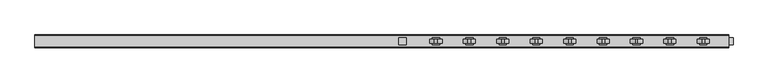
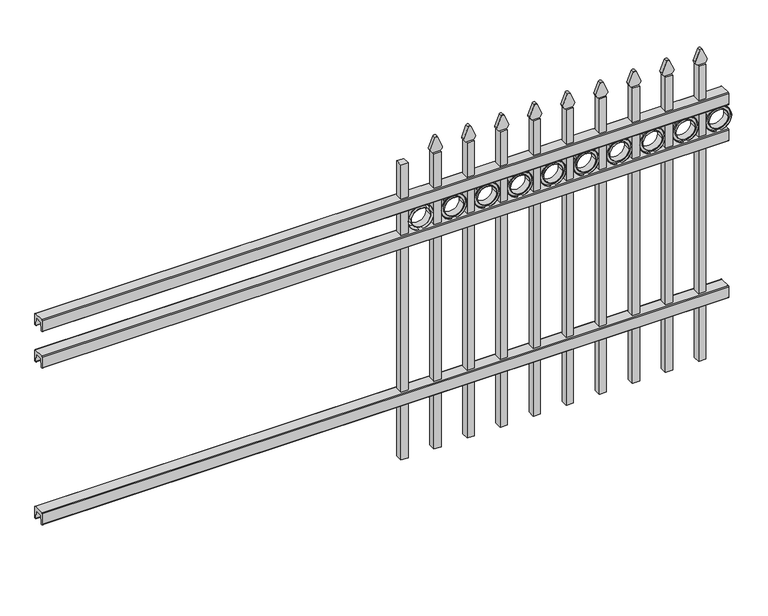
"""IFC4 building model written with IfcOpenShell, lengths in millimetres: railing geometry."""

from ifc_helpers import new_model, si_unit, point, frame, frame_2d, origin, place, context, project, spatial, polyline, circle_curve, trimmed, segment, composite_curve, outline, extrude, source, transform, mapped, element, save


def railing_ac966403(model_context):
    return source(origin(), model_context, "Body", "SweptSolid", [
        extrude(outline(composite_curve([segment(polyline([(13397.9139761, 304.8), (13435.969541, 304.8)]), True, "CONTINUOUS"), segment(trimmed(circle_curve(frame_2d((13435.969541, 301.625)), 3.175), [point((13435.969541, 304.8))], [point((13439.144541, 301.625))], False, "CARTESIAN"), True, "CONTINUOUS"), segment(polyline([(13439.144541, 301.625), (13439.144541, 262.1439893)]), True, "CONTINUOUS"), segment(trimmed(circle_curve(frame_2d((13437.3505518, 262.1439893)), 1.7939893), [point((13439.144541, 262.1439893))], [point((13437.3505518, 260.35))], False, "CARTESIAN"), True, "CONTINUOUS"), segment(polyline([(13437.3505518, 260.35), (13434.7590713, 260.35)]), True, "CONTINUOUS"), segment(trimmed(circle_curve(frame_2d((13434.7590713, 262.1359375)), 1.7859375), [point((13434.7590713, 260.35))], [point((13432.9755813, 262.0424688))], False, "CARTESIAN"), True, "CONTINUOUS"), segment(polyline([(13432.9755813, 262.0424688), (13431.4025867, 292.0569942), (13402.4364954, 292.0569942), (13400.8635007, 262.0424688)]), True, "CONTINUOUS"), segment(trimmed(circle_curve(frame_2d((13399.0800108, 262.1359375)), 1.7859375), [point((13400.8635007, 262.0424688))], [point((13399.0800108, 260.35))], False, "CARTESIAN"), True, "CONTINUOUS"), segment(polyline([(13399.0800108, 260.35), (13396.4804785, 260.35)]), True, "CONTINUOUS"), segment(trimmed(circle_curve(frame_2d((13396.4804785, 262.1359375)), 1.7859375), [point((13396.4804785, 260.35))], [point((13394.694541, 262.1359375))], False, "CARTESIAN"), True, "CONTINUOUS"), segment(polyline([(13394.694541, 262.1359375), (13394.694541, 301.5805649)]), True, "CONTINUOUS"), segment(trimmed(circle_curve(frame_2d((13397.9139761, 301.5805649)), 3.2194351), [point((13394.694541, 301.5805649))], [point((13397.9139761, 304.8))], False, "CARTESIAN"), True, "CONTINUOUS")], self_intersect=False)), frame((-23871.4649936, 0.0, 0.0), z_axis=(1.0, 0.0, 0.0), x_axis=(0.0, 1.0, 0.0)), (0.0, 0.0, 1.0), 2438.4),
        extrude(outline(composite_curve([segment(polyline([(13397.9139761, 893.7625), (13435.969541, 893.7625)]), True, "CONTINUOUS"), segment(trimmed(circle_curve(frame_2d((13435.969541, 890.5875)), 3.175), [point((13435.969541, 893.7625))], [point((13439.144541, 890.5875))], False, "CARTESIAN"), True, "CONTINUOUS"), segment(polyline([(13439.144541, 890.5875), (13439.144541, 851.1064893)]), True, "CONTINUOUS"), segment(trimmed(circle_curve(frame_2d((13437.3505518, 851.1064893)), 1.7939893), [point((13439.144541, 851.1064893))], [point((13437.3505518, 849.3125))], False, "CARTESIAN"), True, "CONTINUOUS"), segment(polyline([(13437.3505518, 849.3125), (13434.7590713, 849.3125)]), True, "CONTINUOUS"), segment(trimmed(circle_curve(frame_2d((13434.7590713, 851.0984375)), 1.7859375), [point((13434.7590713, 849.3125))], [point((13432.9755813, 851.0049688))], False, "CARTESIAN"), True, "CONTINUOUS"), segment(polyline([(13432.9755813, 851.0049688), (13431.4025867, 881.0194942), (13402.4364954, 881.0194942), (13400.8635007, 851.0049688)]), True, "CONTINUOUS"), segment(trimmed(circle_curve(frame_2d((13399.0800108, 851.0984375)), 1.7859375), [point((13400.8635007, 851.0049688))], [point((13399.0800108, 849.3125))], False, "CARTESIAN"), True, "CONTINUOUS"), segment(polyline([(13399.0800108, 849.3125), (13396.4804785, 849.3125)]), True, "CONTINUOUS"), segment(trimmed(circle_curve(frame_2d((13396.4804785, 851.0984375)), 1.7859375), [point((13396.4804785, 849.3125))], [point((13394.694541, 851.0984375))], False, "CARTESIAN"), True, "CONTINUOUS"), segment(polyline([(13394.694541, 851.0984375), (13394.694541, 890.5430649)]), True, "CONTINUOUS"), segment(trimmed(circle_curve(frame_2d((13397.9139761, 890.5430649)), 3.2194351), [point((13394.694541, 890.5430649))], [point((13397.9139761, 893.7625))], False, "CARTESIAN"), True, "CONTINUOUS")], self_intersect=False)), frame((-23871.4649936, 0.0, 0.0), z_axis=(1.0, 0.0, 0.0), x_axis=(0.0, 1.0, 0.0)), (0.0, 0.0, 1.0), 2438.4),
        extrude(outline(composite_curve([segment(polyline([(13397.9139761, 1030.2875), (13435.969541, 1030.2875)]), True, "CONTINUOUS"), segment(trimmed(circle_curve(frame_2d((13435.969541, 1027.1125)), 3.175), [point((13435.969541, 1030.2875))], [point((13439.144541, 1027.1125))], False, "CARTESIAN"), True, "CONTINUOUS"), segment(polyline([(13439.144541, 1027.1125), (13439.144541, 987.6314893)]), True, "CONTINUOUS"), segment(trimmed(circle_curve(frame_2d((13437.3505518, 987.6314893)), 1.7939893), [point((13439.144541, 987.6314893))], [point((13437.3505518, 985.8375))], False, "CARTESIAN"), True, "CONTINUOUS"), segment(polyline([(13437.3505518, 985.8375), (13434.7590713, 985.8375)]), True, "CONTINUOUS"), segment(trimmed(circle_curve(frame_2d((13434.7590713, 987.6234375)), 1.7859375), [point((13434.7590713, 985.8375))], [point((13432.9755813, 987.5299688))], False, "CARTESIAN"), True, "CONTINUOUS"), segment(polyline([(13432.9755813, 987.5299688), (13431.4025867, 1017.5444942), (13402.4364954, 1017.5444942), (13400.8635007, 987.5299688)]), True, "CONTINUOUS"), segment(trimmed(circle_curve(frame_2d((13399.0800108, 987.6234375)), 1.7859375), [point((13400.8635007, 987.5299688))], [point((13399.0800108, 985.8375))], False, "CARTESIAN"), True, "CONTINUOUS"), segment(polyline([(13399.0800108, 985.8375), (13396.4804785, 985.8375)]), True, "CONTINUOUS"), segment(trimmed(circle_curve(frame_2d((13396.4804785, 987.6234375)), 1.7859375), [point((13396.4804785, 985.8375))], [point((13394.694541, 987.6234375))], False, "CARTESIAN"), True, "CONTINUOUS"), segment(polyline([(13394.694541, 987.6234375), (13394.694541, 1027.0680649)]), True, "CONTINUOUS"), segment(trimmed(circle_curve(frame_2d((13397.9139761, 1027.0680649)), 3.2194351), [point((13394.694541, 1027.0680649))], [point((13397.9139761, 1030.2875))], False, "CARTESIAN"), True, "CONTINUOUS")], self_intersect=False)), frame((-23871.4649936, 0.0, 0.0), z_axis=(1.0, 0.0, 0.0), x_axis=(0.0, 1.0, 0.0)), (0.0, 0.0, 1.0), 2438.4),
        extrude(outline(polyline([(-21534.6649936, 13429.619541), (-21509.2649936, 13429.619541), (-21509.2649936, 13404.219541), (-21534.6649936, 13404.219541), (-21534.6649936, 13429.619541)])), frame((0.0, 0.0, 50.8), z_axis=(0.0, 0.0, 1.0), x_axis=(1.0, 0.0, 0.0)), (0.0, 0.0, 1.0), 1108.8579232),
        extrude(outline(composite_curve([segment(trimmed(circle_curve(frame_2d((937.3853669, -21463.1692595)), 45.6988591), [point((937.3853669, -21417.4704004))], [point((937.3853669, -21508.8681186))], False, "CARTESIAN"), True, "CONTINUOUS"), segment(trimmed(circle_curve(frame_2d((937.3853669, -21463.1692595)), 45.6988591), [point((937.3853669, -21508.8681186))], [point((937.3853669, -21417.4704004))], False, "CARTESIAN"), True, "CONTINUOUS")], self_intersect=False), holes=[composite_curve([segment(trimmed(circle_curve(frame_2d((937.3853669, -21463.1692595)), 44.101539), [point((937.3853669, -21419.0677205))], [point((937.3853669, -21507.2707985))], True, "CARTESIAN"), True, "CONTINUOUS"), segment(trimmed(circle_curve(frame_2d((937.3853669, -21463.1692595)), 44.101539), [point((937.3853669, -21507.2707985))], [point((937.3853669, -21419.0677205))], True, "CARTESIAN"), True, "CONTINUOUS")], self_intersect=False)]), frame((0.0, 13404.219541, 0.0), z_axis=(0.0, 1.0, 0.0), x_axis=(0.0, 0.0, 1.0)), (0.0, 0.0, 1.0), 25.4),
        extrude(outline(composite_curve([segment(trimmed(circle_curve(frame_2d((937.3853669, -21463.1692595)), 34.6370762), [point((937.3853669, -21428.5321833))], [point((937.3853669, -21497.8063357))], False, "CARTESIAN"), True, "CONTINUOUS"), segment(trimmed(circle_curve(frame_2d((937.3853669, -21463.1692595)), 34.6370762), [point((937.3853669, -21497.8063357))], [point((937.3853669, -21428.5321833))], False, "CARTESIAN"), True, "CONTINUOUS")], self_intersect=False), holes=[composite_curve([segment(trimmed(circle_curve(frame_2d((937.3853669, -21463.1692595)), 33.0443887), [point((937.3853669, -21430.1248708))], [point((937.3853669, -21496.2136482))], True, "CARTESIAN"), True, "CONTINUOUS"), segment(trimmed(circle_curve(frame_2d((937.3853669, -21463.1692595)), 33.0443887), [point((937.3853669, -21496.2136482))], [point((937.3853669, -21430.1248708))], True, "CARTESIAN"), True, "CONTINUOUS")], self_intersect=False)]), frame((0.0, 13404.219541, 0.0), z_axis=(0.0, 1.0, 0.0), x_axis=(0.0, 0.0, 1.0)), (0.0, 0.0, 1.0), 25.4),
        extrude(outline(composite_curve([segment(polyline([(1159.8798417, -21534.6649936), (1159.8798417, -21508.9743116)]), True, "CONTINUOUS"), segment(trimmed(circle_curve(frame_2d((1178.1299402, -21523.1372336)), 23.1009622), [point((1159.8798417, -21508.9743116))], [point((1172.6676176, -21500.6913545))], False, "CARTESIAN"), True, "CONTINUOUS"), segment(polyline([(1172.6676176, -21500.6913545), (1213.1555225, -21517.0105644)]), True, "CONTINUOUS"), segment(trimmed(circle_curve(frame_2d((1210.0045804, -21522.1405764)), 6.0204202), [point((1213.1555225, -21517.0105644))], [point((1213.1555225, -21527.2705884))], False, "CARTESIAN"), True, "CONTINUOUS"), segment(polyline([(1213.1555225, -21527.2705884), (1173.9339948, -21543.2187724)]), True, "CONTINUOUS"), segment(trimmed(circle_curve(frame_2d((1178.1299402, -21520.5020716)), 23.1009622), [point((1173.9339948, -21543.2187724))], [point((1159.8798417, -21534.6649936))], False, "CARTESIAN"), True, "CONTINUOUS")], self_intersect=False)), frame((0.0, 13410.569541, 0.0), z_axis=(0.0, 1.0, 0.0), x_axis=(0.0, 0.0, 1.0)), (0.0, 0.0, 1.0), 12.7),
        extrude(outline(composite_curve([segment(trimmed(circle_curve(frame_2d((937.3853669, -21463.1692595)), 45.6988591), [point((937.3853669, -21417.4704004))], [point((937.3853669, -21508.8681186))], False, "CARTESIAN"), True, "CONTINUOUS"), segment(trimmed(circle_curve(frame_2d((937.3853669, -21463.1692595)), 45.6988591), [point((937.3853669, -21508.8681186))], [point((937.3853669, -21417.4704004))], False, "CARTESIAN"), True, "CONTINUOUS")], self_intersect=False), holes=[composite_curve([segment(trimmed(circle_curve(frame_2d((937.3853669, -21463.1692595)), 33.0443887), [point((937.3853669, -21430.1248708))], [point((937.3853669, -21496.2136482))], True, "CARTESIAN"), True, "CONTINUOUS"), segment(trimmed(circle_curve(frame_2d((937.3853669, -21463.1692595)), 33.0443887), [point((937.3853669, -21496.2136482))], [point((937.3853669, -21430.1248708))], True, "CARTESIAN"), True, "CONTINUOUS")], self_intersect=False)]), frame((0.0, 13410.569541, 0.0), z_axis=(0.0, 1.0, 0.0), x_axis=(0.0, 0.0, 1.0)), (0.0, 0.0, 1.0), 12.7),
        extrude(outline(polyline([(-21652.1399936, 13429.619541), (-21626.7399936, 13429.619541), (-21626.7399936, 13404.219541), (-21652.1399936, 13404.219541), (-21652.1399936, 13429.619541)])), frame((0.0, 0.0, 50.8), z_axis=(0.0, 0.0, 1.0), x_axis=(1.0, 0.0, 0.0)), (0.0, 0.0, 1.0), 1108.8579232),
        extrude(outline(composite_curve([segment(trimmed(circle_curve(frame_2d((937.3853669, -21580.6442595)), 45.6988591), [point((937.3853669, -21534.9454004))], [point((937.3853669, -21626.3431186))], False, "CARTESIAN"), True, "CONTINUOUS"), segment(trimmed(circle_curve(frame_2d((937.3853669, -21580.6442595)), 45.6988591), [point((937.3853669, -21626.3431186))], [point((937.3853669, -21534.9454004))], False, "CARTESIAN"), True, "CONTINUOUS")], self_intersect=False), holes=[composite_curve([segment(trimmed(circle_curve(frame_2d((937.3853669, -21580.6442595)), 44.101539), [point((937.3853669, -21536.5427205))], [point((937.3853669, -21624.7457985))], True, "CARTESIAN"), True, "CONTINUOUS"), segment(trimmed(circle_curve(frame_2d((937.3853669, -21580.6442595)), 44.101539), [point((937.3853669, -21624.7457985))], [point((937.3853669, -21536.5427205))], True, "CARTESIAN"), True, "CONTINUOUS")], self_intersect=False)]), frame((0.0, 13404.219541, 0.0), z_axis=(0.0, 1.0, 0.0), x_axis=(0.0, 0.0, 1.0)), (0.0, 0.0, 1.0), 25.4),
        extrude(outline(composite_curve([segment(trimmed(circle_curve(frame_2d((937.3853669, -21580.6442595)), 34.6370762), [point((937.3853669, -21546.0071833))], [point((937.3853669, -21615.2813357))], False, "CARTESIAN"), True, "CONTINUOUS"), segment(trimmed(circle_curve(frame_2d((937.3853669, -21580.6442595)), 34.6370762), [point((937.3853669, -21615.2813357))], [point((937.3853669, -21546.0071833))], False, "CARTESIAN"), True, "CONTINUOUS")], self_intersect=False), holes=[composite_curve([segment(trimmed(circle_curve(frame_2d((937.3853669, -21580.6442595)), 33.0443887), [point((937.3853669, -21547.5998708))], [point((937.3853669, -21613.6886482))], True, "CARTESIAN"), True, "CONTINUOUS"), segment(trimmed(circle_curve(frame_2d((937.3853669, -21580.6442595)), 33.0443887), [point((937.3853669, -21613.6886482))], [point((937.3853669, -21547.5998708))], True, "CARTESIAN"), True, "CONTINUOUS")], self_intersect=False)]), frame((0.0, 13404.219541, 0.0), z_axis=(0.0, 1.0, 0.0), x_axis=(0.0, 0.0, 1.0)), (0.0, 0.0, 1.0), 25.4),
        extrude(outline(composite_curve([segment(polyline([(1159.8798417, -21652.1399936), (1159.8798417, -21626.4493116)]), True, "CONTINUOUS"), segment(trimmed(circle_curve(frame_2d((1178.1299402, -21640.6122336)), 23.1009622), [point((1159.8798417, -21626.4493116))], [point((1172.6676176, -21618.1663545))], False, "CARTESIAN"), True, "CONTINUOUS"), segment(polyline([(1172.6676176, -21618.1663545), (1213.1555225, -21634.4855644)]), True, "CONTINUOUS"), segment(trimmed(circle_curve(frame_2d((1210.0045804, -21639.6155764)), 6.0204202), [point((1213.1555225, -21634.4855644))], [point((1213.1555225, -21644.7455884))], False, "CARTESIAN"), True, "CONTINUOUS"), segment(polyline([(1213.1555225, -21644.7455884), (1173.9339948, -21660.6937724)]), True, "CONTINUOUS"), segment(trimmed(circle_curve(frame_2d((1178.1299402, -21637.9770716)), 23.1009622), [point((1173.9339948, -21660.6937724))], [point((1159.8798417, -21652.1399936))], False, "CARTESIAN"), True, "CONTINUOUS")], self_intersect=False)), frame((0.0, 13410.569541, 0.0), z_axis=(0.0, 1.0, 0.0), x_axis=(0.0, 0.0, 1.0)), (0.0, 0.0, 1.0), 12.7),
        extrude(outline(composite_curve([segment(trimmed(circle_curve(frame_2d((937.3853669, -21580.6442595)), 45.6988591), [point((937.3853669, -21534.9454004))], [point((937.3853669, -21626.3431186))], False, "CARTESIAN"), True, "CONTINUOUS"), segment(trimmed(circle_curve(frame_2d((937.3853669, -21580.6442595)), 45.6988591), [point((937.3853669, -21626.3431186))], [point((937.3853669, -21534.9454004))], False, "CARTESIAN"), True, "CONTINUOUS")], self_intersect=False), holes=[composite_curve([segment(trimmed(circle_curve(frame_2d((937.3853669, -21580.6442595)), 33.0443887), [point((937.3853669, -21547.5998708))], [point((937.3853669, -21613.6886482))], True, "CARTESIAN"), True, "CONTINUOUS"), segment(trimmed(circle_curve(frame_2d((937.3853669, -21580.6442595)), 33.0443887), [point((937.3853669, -21613.6886482))], [point((937.3853669, -21547.5998708))], True, "CARTESIAN"), True, "CONTINUOUS")], self_intersect=False)]), frame((0.0, 13410.569541, 0.0), z_axis=(0.0, 1.0, 0.0), x_axis=(0.0, 0.0, 1.0)), (0.0, 0.0, 1.0), 12.7),
        extrude(outline(polyline([(-21769.6149936, 13429.619541), (-21744.2149936, 13429.619541), (-21744.2149936, 13404.219541), (-21769.6149936, 13404.219541), (-21769.6149936, 13429.619541)])), frame((0.0, 0.0, 50.8), z_axis=(0.0, 0.0, 1.0), x_axis=(1.0, 0.0, 0.0)), (0.0, 0.0, 1.0), 1108.8579232),
        extrude(outline(composite_curve([segment(trimmed(circle_curve(frame_2d((937.3853669, -21698.1192595)), 45.6988591), [point((937.3853669, -21652.4204004))], [point((937.3853669, -21743.8181186))], False, "CARTESIAN"), True, "CONTINUOUS"), segment(trimmed(circle_curve(frame_2d((937.3853669, -21698.1192595)), 45.6988591), [point((937.3853669, -21743.8181186))], [point((937.3853669, -21652.4204004))], False, "CARTESIAN"), True, "CONTINUOUS")], self_intersect=False), holes=[composite_curve([segment(trimmed(circle_curve(frame_2d((937.3853669, -21698.1192595)), 44.101539), [point((937.3853669, -21654.0177205))], [point((937.3853669, -21742.2207985))], True, "CARTESIAN"), True, "CONTINUOUS"), segment(trimmed(circle_curve(frame_2d((937.3853669, -21698.1192595)), 44.101539), [point((937.3853669, -21742.2207985))], [point((937.3853669, -21654.0177205))], True, "CARTESIAN"), True, "CONTINUOUS")], self_intersect=False)]), frame((0.0, 13404.219541, 0.0), z_axis=(0.0, 1.0, 0.0), x_axis=(0.0, 0.0, 1.0)), (0.0, 0.0, 1.0), 25.4),
        extrude(outline(composite_curve([segment(trimmed(circle_curve(frame_2d((937.3853669, -21698.1192595)), 34.6370762), [point((937.3853669, -21663.4821833))], [point((937.3853669, -21732.7563357))], False, "CARTESIAN"), True, "CONTINUOUS"), segment(trimmed(circle_curve(frame_2d((937.3853669, -21698.1192595)), 34.6370762), [point((937.3853669, -21732.7563357))], [point((937.3853669, -21663.4821833))], False, "CARTESIAN"), True, "CONTINUOUS")], self_intersect=False), holes=[composite_curve([segment(trimmed(circle_curve(frame_2d((937.3853669, -21698.1192595)), 33.0443887), [point((937.3853669, -21665.0748708))], [point((937.3853669, -21731.1636482))], True, "CARTESIAN"), True, "CONTINUOUS"), segment(trimmed(circle_curve(frame_2d((937.3853669, -21698.1192595)), 33.0443887), [point((937.3853669, -21731.1636482))], [point((937.3853669, -21665.0748708))], True, "CARTESIAN"), True, "CONTINUOUS")], self_intersect=False)]), frame((0.0, 13404.219541, 0.0), z_axis=(0.0, 1.0, 0.0), x_axis=(0.0, 0.0, 1.0)), (0.0, 0.0, 1.0), 25.4),
        extrude(outline(composite_curve([segment(polyline([(1159.8798417, -21769.6149936), (1159.8798417, -21743.9243116)]), True, "CONTINUOUS"), segment(trimmed(circle_curve(frame_2d((1178.1299402, -21758.0872336)), 23.1009622), [point((1159.8798417, -21743.9243116))], [point((1172.6676176, -21735.6413545))], False, "CARTESIAN"), True, "CONTINUOUS"), segment(polyline([(1172.6676176, -21735.6413545), (1213.1555225, -21751.9605644)]), True, "CONTINUOUS"), segment(trimmed(circle_curve(frame_2d((1210.0045804, -21757.0905764)), 6.0204202), [point((1213.1555225, -21751.9605644))], [point((1213.1555225, -21762.2205884))], False, "CARTESIAN"), True, "CONTINUOUS"), segment(polyline([(1213.1555225, -21762.2205884), (1173.9339948, -21778.1687724)]), True, "CONTINUOUS"), segment(trimmed(circle_curve(frame_2d((1178.1299402, -21755.4520716)), 23.1009622), [point((1173.9339948, -21778.1687724))], [point((1159.8798417, -21769.6149936))], False, "CARTESIAN"), True, "CONTINUOUS")], self_intersect=False)), frame((0.0, 13410.569541, 0.0), z_axis=(0.0, 1.0, 0.0), x_axis=(0.0, 0.0, 1.0)), (0.0, 0.0, 1.0), 12.7),
        extrude(outline(composite_curve([segment(trimmed(circle_curve(frame_2d((937.3853669, -21698.1192595)), 45.6988591), [point((937.3853669, -21652.4204004))], [point((937.3853669, -21743.8181186))], False, "CARTESIAN"), True, "CONTINUOUS"), segment(trimmed(circle_curve(frame_2d((937.3853669, -21698.1192595)), 45.6988591), [point((937.3853669, -21743.8181186))], [point((937.3853669, -21652.4204004))], False, "CARTESIAN"), True, "CONTINUOUS")], self_intersect=False), holes=[composite_curve([segment(trimmed(circle_curve(frame_2d((937.3853669, -21698.1192595)), 33.0443887), [point((937.3853669, -21665.0748708))], [point((937.3853669, -21731.1636482))], True, "CARTESIAN"), True, "CONTINUOUS"), segment(trimmed(circle_curve(frame_2d((937.3853669, -21698.1192595)), 33.0443887), [point((937.3853669, -21731.1636482))], [point((937.3853669, -21665.0748708))], True, "CARTESIAN"), True, "CONTINUOUS")], self_intersect=False)]), frame((0.0, 13410.569541, 0.0), z_axis=(0.0, 1.0, 0.0), x_axis=(0.0, 0.0, 1.0)), (0.0, 0.0, 1.0), 12.7),
        extrude(outline(polyline([(-21887.0899936, 13429.619541), (-21861.6899936, 13429.619541), (-21861.6899936, 13404.219541), (-21887.0899936, 13404.219541), (-21887.0899936, 13429.619541)])), frame((0.0, 0.0, 50.8), z_axis=(0.0, 0.0, 1.0), x_axis=(1.0, 0.0, 0.0)), (0.0, 0.0, 1.0), 1108.8579232),
        extrude(outline(composite_curve([segment(trimmed(circle_curve(frame_2d((937.3853669, -21815.5942595)), 45.6988591), [point((937.3853669, -21769.8954004))], [point((937.3853669, -21861.2931186))], False, "CARTESIAN"), True, "CONTINUOUS"), segment(trimmed(circle_curve(frame_2d((937.3853669, -21815.5942595)), 45.6988591), [point((937.3853669, -21861.2931186))], [point((937.3853669, -21769.8954004))], False, "CARTESIAN"), True, "CONTINUOUS")], self_intersect=False), holes=[composite_curve([segment(trimmed(circle_curve(frame_2d((937.3853669, -21815.5942595)), 44.101539), [point((937.3853669, -21771.4927205))], [point((937.3853669, -21859.6957985))], True, "CARTESIAN"), True, "CONTINUOUS"), segment(trimmed(circle_curve(frame_2d((937.3853669, -21815.5942595)), 44.101539), [point((937.3853669, -21859.6957985))], [point((937.3853669, -21771.4927205))], True, "CARTESIAN"), True, "CONTINUOUS")], self_intersect=False)]), frame((0.0, 13404.219541, 0.0), z_axis=(0.0, 1.0, 0.0), x_axis=(0.0, 0.0, 1.0)), (0.0, 0.0, 1.0), 25.4),
        extrude(outline(composite_curve([segment(trimmed(circle_curve(frame_2d((937.3853669, -21815.5942595)), 34.6370762), [point((937.3853669, -21780.9571833))], [point((937.3853669, -21850.2313357))], False, "CARTESIAN"), True, "CONTINUOUS"), segment(trimmed(circle_curve(frame_2d((937.3853669, -21815.5942595)), 34.6370762), [point((937.3853669, -21850.2313357))], [point((937.3853669, -21780.9571833))], False, "CARTESIAN"), True, "CONTINUOUS")], self_intersect=False), holes=[composite_curve([segment(trimmed(circle_curve(frame_2d((937.3853669, -21815.5942595)), 33.0443887), [point((937.3853669, -21782.5498708))], [point((937.3853669, -21848.6386482))], True, "CARTESIAN"), True, "CONTINUOUS"), segment(trimmed(circle_curve(frame_2d((937.3853669, -21815.5942595)), 33.0443887), [point((937.3853669, -21848.6386482))], [point((937.3853669, -21782.5498708))], True, "CARTESIAN"), True, "CONTINUOUS")], self_intersect=False)]), frame((0.0, 13404.219541, 0.0), z_axis=(0.0, 1.0, 0.0), x_axis=(0.0, 0.0, 1.0)), (0.0, 0.0, 1.0), 25.4),
        extrude(outline(composite_curve([segment(polyline([(1159.8798417, -21887.0899936), (1159.8798417, -21861.3993116)]), True, "CONTINUOUS"), segment(trimmed(circle_curve(frame_2d((1178.1299402, -21875.5622336)), 23.1009622), [point((1159.8798417, -21861.3993116))], [point((1172.6676176, -21853.1163545))], False, "CARTESIAN"), True, "CONTINUOUS"), segment(polyline([(1172.6676176, -21853.1163545), (1213.1555225, -21869.4355644)]), True, "CONTINUOUS"), segment(trimmed(circle_curve(frame_2d((1210.0045804, -21874.5655764)), 6.0204202), [point((1213.1555225, -21869.4355644))], [point((1213.1555225, -21879.6955884))], False, "CARTESIAN"), True, "CONTINUOUS"), segment(polyline([(1213.1555225, -21879.6955884), (1173.9339948, -21895.6437724)]), True, "CONTINUOUS"), segment(trimmed(circle_curve(frame_2d((1178.1299402, -21872.9270716)), 23.1009622), [point((1173.9339948, -21895.6437724))], [point((1159.8798417, -21887.0899936))], False, "CARTESIAN"), True, "CONTINUOUS")], self_intersect=False)), frame((0.0, 13410.569541, 0.0), z_axis=(0.0, 1.0, 0.0), x_axis=(0.0, 0.0, 1.0)), (0.0, 0.0, 1.0), 12.7),
        extrude(outline(composite_curve([segment(trimmed(circle_curve(frame_2d((937.3853669, -21815.5942595)), 45.6988591), [point((937.3853669, -21769.8954004))], [point((937.3853669, -21861.2931186))], False, "CARTESIAN"), True, "CONTINUOUS"), segment(trimmed(circle_curve(frame_2d((937.3853669, -21815.5942595)), 45.6988591), [point((937.3853669, -21861.2931186))], [point((937.3853669, -21769.8954004))], False, "CARTESIAN"), True, "CONTINUOUS")], self_intersect=False), holes=[composite_curve([segment(trimmed(circle_curve(frame_2d((937.3853669, -21815.5942595)), 33.0443887), [point((937.3853669, -21782.5498708))], [point((937.3853669, -21848.6386482))], True, "CARTESIAN"), True, "CONTINUOUS"), segment(trimmed(circle_curve(frame_2d((937.3853669, -21815.5942595)), 33.0443887), [point((937.3853669, -21848.6386482))], [point((937.3853669, -21782.5498708))], True, "CARTESIAN"), True, "CONTINUOUS")], self_intersect=False)]), frame((0.0, 13410.569541, 0.0), z_axis=(0.0, 1.0, 0.0), x_axis=(0.0, 0.0, 1.0)), (0.0, 0.0, 1.0), 12.7),
        extrude(outline(polyline([(-22004.5649936, 13429.619541), (-21979.1649936, 13429.619541), (-21979.1649936, 13404.219541), (-22004.5649936, 13404.219541), (-22004.5649936, 13429.619541)])), frame((0.0, 0.0, 50.8), z_axis=(0.0, 0.0, 1.0), x_axis=(1.0, 0.0, 0.0)), (0.0, 0.0, 1.0), 1108.8579232),
        extrude(outline(composite_curve([segment(trimmed(circle_curve(frame_2d((937.3853669, -21933.0692595)), 45.6988591), [point((937.3853669, -21887.3704004))], [point((937.3853669, -21978.7681186))], False, "CARTESIAN"), True, "CONTINUOUS"), segment(trimmed(circle_curve(frame_2d((937.3853669, -21933.0692595)), 45.6988591), [point((937.3853669, -21978.7681186))], [point((937.3853669, -21887.3704004))], False, "CARTESIAN"), True, "CONTINUOUS")], self_intersect=False), holes=[composite_curve([segment(trimmed(circle_curve(frame_2d((937.3853669, -21933.0692595)), 44.101539), [point((937.3853669, -21888.9677205))], [point((937.3853669, -21977.1707985))], True, "CARTESIAN"), True, "CONTINUOUS"), segment(trimmed(circle_curve(frame_2d((937.3853669, -21933.0692595)), 44.101539), [point((937.3853669, -21977.1707985))], [point((937.3853669, -21888.9677205))], True, "CARTESIAN"), True, "CONTINUOUS")], self_intersect=False)]), frame((0.0, 13404.219541, 0.0), z_axis=(0.0, 1.0, 0.0), x_axis=(0.0, 0.0, 1.0)), (0.0, 0.0, 1.0), 25.4),
        extrude(outline(composite_curve([segment(trimmed(circle_curve(frame_2d((937.3853669, -21933.0692595)), 34.6370762), [point((937.3853669, -21898.4321833))], [point((937.3853669, -21967.7063357))], False, "CARTESIAN"), True, "CONTINUOUS"), segment(trimmed(circle_curve(frame_2d((937.3853669, -21933.0692595)), 34.6370762), [point((937.3853669, -21967.7063357))], [point((937.3853669, -21898.4321833))], False, "CARTESIAN"), True, "CONTINUOUS")], self_intersect=False), holes=[composite_curve([segment(trimmed(circle_curve(frame_2d((937.3853669, -21933.0692595)), 33.0443887), [point((937.3853669, -21900.0248708))], [point((937.3853669, -21966.1136482))], True, "CARTESIAN"), True, "CONTINUOUS"), segment(trimmed(circle_curve(frame_2d((937.3853669, -21933.0692595)), 33.0443887), [point((937.3853669, -21966.1136482))], [point((937.3853669, -21900.0248708))], True, "CARTESIAN"), True, "CONTINUOUS")], self_intersect=False)]), frame((0.0, 13404.219541, 0.0), z_axis=(0.0, 1.0, 0.0), x_axis=(0.0, 0.0, 1.0)), (0.0, 0.0, 1.0), 25.4),
        extrude(outline(composite_curve([segment(polyline([(1159.8798417, -22004.5649936), (1159.8798417, -21978.8743116)]), True, "CONTINUOUS"), segment(trimmed(circle_curve(frame_2d((1178.1299402, -21993.0372336)), 23.1009622), [point((1159.8798417, -21978.8743116))], [point((1172.6676176, -21970.5913545))], False, "CARTESIAN"), True, "CONTINUOUS"), segment(polyline([(1172.6676176, -21970.5913545), (1213.1555225, -21986.9105644)]), True, "CONTINUOUS"), segment(trimmed(circle_curve(frame_2d((1210.0045804, -21992.0405764)), 6.0204202), [point((1213.1555225, -21986.9105644))], [point((1213.1555225, -21997.1705884))], False, "CARTESIAN"), True, "CONTINUOUS"), segment(polyline([(1213.1555225, -21997.1705884), (1173.9339948, -22013.1187724)]), True, "CONTINUOUS"), segment(trimmed(circle_curve(frame_2d((1178.1299402, -21990.4020716)), 23.1009622), [point((1173.9339948, -22013.1187724))], [point((1159.8798417, -22004.5649936))], False, "CARTESIAN"), True, "CONTINUOUS")], self_intersect=False)), frame((0.0, 13410.569541, 0.0), z_axis=(0.0, 1.0, 0.0), x_axis=(0.0, 0.0, 1.0)), (0.0, 0.0, 1.0), 12.7),
        extrude(outline(composite_curve([segment(trimmed(circle_curve(frame_2d((937.3853669, -21933.0692595)), 45.6988591), [point((937.3853669, -21887.3704004))], [point((937.3853669, -21978.7681186))], False, "CARTESIAN"), True, "CONTINUOUS"), segment(trimmed(circle_curve(frame_2d((937.3853669, -21933.0692595)), 45.6988591), [point((937.3853669, -21978.7681186))], [point((937.3853669, -21887.3704004))], False, "CARTESIAN"), True, "CONTINUOUS")], self_intersect=False), holes=[composite_curve([segment(trimmed(circle_curve(frame_2d((937.3853669, -21933.0692595)), 33.0443887), [point((937.3853669, -21900.0248708))], [point((937.3853669, -21966.1136482))], True, "CARTESIAN"), True, "CONTINUOUS"), segment(trimmed(circle_curve(frame_2d((937.3853669, -21933.0692595)), 33.0443887), [point((937.3853669, -21966.1136482))], [point((937.3853669, -21900.0248708))], True, "CARTESIAN"), True, "CONTINUOUS")], self_intersect=False)]), frame((0.0, 13410.569541, 0.0), z_axis=(0.0, 1.0, 0.0), x_axis=(0.0, 0.0, 1.0)), (0.0, 0.0, 1.0), 12.7),
        extrude(outline(polyline([(-22122.0399936, 13429.619541), (-22096.6399936, 13429.619541), (-22096.6399936, 13404.219541), (-22122.0399936, 13404.219541), (-22122.0399936, 13429.619541)])), frame((0.0, 0.0, 50.8), z_axis=(0.0, 0.0, 1.0), x_axis=(1.0, 0.0, 0.0)), (0.0, 0.0, 1.0), 1108.8579232),
        extrude(outline(composite_curve([segment(trimmed(circle_curve(frame_2d((937.3853669, -22050.5442595)), 45.6988591), [point((937.3853669, -22004.8454004))], [point((937.3853669, -22096.2431186))], False, "CARTESIAN"), True, "CONTINUOUS"), segment(trimmed(circle_curve(frame_2d((937.3853669, -22050.5442595)), 45.6988591), [point((937.3853669, -22096.2431186))], [point((937.3853669, -22004.8454004))], False, "CARTESIAN"), True, "CONTINUOUS")], self_intersect=False), holes=[composite_curve([segment(trimmed(circle_curve(frame_2d((937.3853669, -22050.5442595)), 44.101539), [point((937.3853669, -22006.4427205))], [point((937.3853669, -22094.6457985))], True, "CARTESIAN"), True, "CONTINUOUS"), segment(trimmed(circle_curve(frame_2d((937.3853669, -22050.5442595)), 44.101539), [point((937.3853669, -22094.6457985))], [point((937.3853669, -22006.4427205))], True, "CARTESIAN"), True, "CONTINUOUS")], self_intersect=False)]), frame((0.0, 13404.219541, 0.0), z_axis=(0.0, 1.0, 0.0), x_axis=(0.0, 0.0, 1.0)), (0.0, 0.0, 1.0), 25.4),
        extrude(outline(composite_curve([segment(trimmed(circle_curve(frame_2d((937.3853669, -22050.5442595)), 34.6370762), [point((937.3853669, -22015.9071833))], [point((937.3853669, -22085.1813357))], False, "CARTESIAN"), True, "CONTINUOUS"), segment(trimmed(circle_curve(frame_2d((937.3853669, -22050.5442595)), 34.6370762), [point((937.3853669, -22085.1813357))], [point((937.3853669, -22015.9071833))], False, "CARTESIAN"), True, "CONTINUOUS")], self_intersect=False), holes=[composite_curve([segment(trimmed(circle_curve(frame_2d((937.3853669, -22050.5442595)), 33.0443887), [point((937.3853669, -22017.4998708))], [point((937.3853669, -22083.5886482))], True, "CARTESIAN"), True, "CONTINUOUS"), segment(trimmed(circle_curve(frame_2d((937.3853669, -22050.5442595)), 33.0443887), [point((937.3853669, -22083.5886482))], [point((937.3853669, -22017.4998708))], True, "CARTESIAN"), True, "CONTINUOUS")], self_intersect=False)]), frame((0.0, 13404.219541, 0.0), z_axis=(0.0, 1.0, 0.0), x_axis=(0.0, 0.0, 1.0)), (0.0, 0.0, 1.0), 25.4),
        extrude(outline(composite_curve([segment(polyline([(1159.8798417, -22122.0399936), (1159.8798417, -22096.3493116)]), True, "CONTINUOUS"), segment(trimmed(circle_curve(frame_2d((1178.1299402, -22110.5122336)), 23.1009622), [point((1159.8798417, -22096.3493116))], [point((1172.6676176, -22088.0663545))], False, "CARTESIAN"), True, "CONTINUOUS"), segment(polyline([(1172.6676176, -22088.0663545), (1213.1555225, -22104.3855644)]), True, "CONTINUOUS"), segment(trimmed(circle_curve(frame_2d((1210.0045804, -22109.5155764)), 6.0204202), [point((1213.1555225, -22104.3855644))], [point((1213.1555225, -22114.6455884))], False, "CARTESIAN"), True, "CONTINUOUS"), segment(polyline([(1213.1555225, -22114.6455884), (1173.9339948, -22130.5937724)]), True, "CONTINUOUS"), segment(trimmed(circle_curve(frame_2d((1178.1299402, -22107.8770716)), 23.1009622), [point((1173.9339948, -22130.5937724))], [point((1159.8798417, -22122.0399936))], False, "CARTESIAN"), True, "CONTINUOUS")], self_intersect=False)), frame((0.0, 13410.569541, 0.0), z_axis=(0.0, 1.0, 0.0), x_axis=(0.0, 0.0, 1.0)), (0.0, 0.0, 1.0), 12.7),
        extrude(outline(composite_curve([segment(trimmed(circle_curve(frame_2d((937.3853669, -22050.5442595)), 45.6988591), [point((937.3853669, -22004.8454004))], [point((937.3853669, -22096.2431186))], False, "CARTESIAN"), True, "CONTINUOUS"), segment(trimmed(circle_curve(frame_2d((937.3853669, -22050.5442595)), 45.6988591), [point((937.3853669, -22096.2431186))], [point((937.3853669, -22004.8454004))], False, "CARTESIAN"), True, "CONTINUOUS")], self_intersect=False), holes=[composite_curve([segment(trimmed(circle_curve(frame_2d((937.3853669, -22050.5442595)), 33.0443887), [point((937.3853669, -22017.4998708))], [point((937.3853669, -22083.5886482))], True, "CARTESIAN"), True, "CONTINUOUS"), segment(trimmed(circle_curve(frame_2d((937.3853669, -22050.5442595)), 33.0443887), [point((937.3853669, -22083.5886482))], [point((937.3853669, -22017.4998708))], True, "CARTESIAN"), True, "CONTINUOUS")], self_intersect=False)]), frame((0.0, 13410.569541, 0.0), z_axis=(0.0, 1.0, 0.0), x_axis=(0.0, 0.0, 1.0)), (0.0, 0.0, 1.0), 12.7),
        extrude(outline(polyline([(-22239.5149936, 13429.619541), (-22214.1149936, 13429.619541), (-22214.1149936, 13404.219541), (-22239.5149936, 13404.219541), (-22239.5149936, 13429.619541)])), frame((0.0, 0.0, 50.8), z_axis=(0.0, 0.0, 1.0), x_axis=(1.0, 0.0, 0.0)), (0.0, 0.0, 1.0), 1108.8579232),
        extrude(outline(composite_curve([segment(trimmed(circle_curve(frame_2d((937.3853669, -22168.0192595)), 45.6988591), [point((937.3853669, -22122.3204004))], [point((937.3853669, -22213.7181186))], False, "CARTESIAN"), True, "CONTINUOUS"), segment(trimmed(circle_curve(frame_2d((937.3853669, -22168.0192595)), 45.6988591), [point((937.3853669, -22213.7181186))], [point((937.3853669, -22122.3204004))], False, "CARTESIAN"), True, "CONTINUOUS")], self_intersect=False), holes=[composite_curve([segment(trimmed(circle_curve(frame_2d((937.3853669, -22168.0192595)), 44.101539), [point((937.3853669, -22123.9177205))], [point((937.3853669, -22212.1207985))], True, "CARTESIAN"), True, "CONTINUOUS"), segment(trimmed(circle_curve(frame_2d((937.3853669, -22168.0192595)), 44.101539), [point((937.3853669, -22212.1207985))], [point((937.3853669, -22123.9177205))], True, "CARTESIAN"), True, "CONTINUOUS")], self_intersect=False)]), frame((0.0, 13404.219541, 0.0), z_axis=(0.0, 1.0, 0.0), x_axis=(0.0, 0.0, 1.0)), (0.0, 0.0, 1.0), 25.4),
        extrude(outline(composite_curve([segment(trimmed(circle_curve(frame_2d((937.3853669, -22168.0192595)), 34.6370762), [point((937.3853669, -22133.3821833))], [point((937.3853669, -22202.6563357))], False, "CARTESIAN"), True, "CONTINUOUS"), segment(trimmed(circle_curve(frame_2d((937.3853669, -22168.0192595)), 34.6370762), [point((937.3853669, -22202.6563357))], [point((937.3853669, -22133.3821833))], False, "CARTESIAN"), True, "CONTINUOUS")], self_intersect=False), holes=[composite_curve([segment(trimmed(circle_curve(frame_2d((937.3853669, -22168.0192595)), 33.0443887), [point((937.3853669, -22134.9748708))], [point((937.3853669, -22201.0636482))], True, "CARTESIAN"), True, "CONTINUOUS"), segment(trimmed(circle_curve(frame_2d((937.3853669, -22168.0192595)), 33.0443887), [point((937.3853669, -22201.0636482))], [point((937.3853669, -22134.9748708))], True, "CARTESIAN"), True, "CONTINUOUS")], self_intersect=False)]), frame((0.0, 13404.219541, 0.0), z_axis=(0.0, 1.0, 0.0), x_axis=(0.0, 0.0, 1.0)), (0.0, 0.0, 1.0), 25.4),
        extrude(outline(composite_curve([segment(polyline([(1159.8798417, -22239.5149936), (1159.8798417, -22213.8243116)]), True, "CONTINUOUS"), segment(trimmed(circle_curve(frame_2d((1178.1299402, -22227.9872336)), 23.1009622), [point((1159.8798417, -22213.8243116))], [point((1172.6676176, -22205.5413545))], False, "CARTESIAN"), True, "CONTINUOUS"), segment(polyline([(1172.6676176, -22205.5413545), (1213.1555225, -22221.8605644)]), True, "CONTINUOUS"), segment(trimmed(circle_curve(frame_2d((1210.0045804, -22226.9905764)), 6.0204202), [point((1213.1555225, -22221.8605644))], [point((1213.1555225, -22232.1205884))], False, "CARTESIAN"), True, "CONTINUOUS"), segment(polyline([(1213.1555225, -22232.1205884), (1173.9339948, -22248.0687724)]), True, "CONTINUOUS"), segment(trimmed(circle_curve(frame_2d((1178.1299402, -22225.3520716)), 23.1009622), [point((1173.9339948, -22248.0687724))], [point((1159.8798417, -22239.5149936))], False, "CARTESIAN"), True, "CONTINUOUS")], self_intersect=False)), frame((0.0, 13410.569541, 0.0), z_axis=(0.0, 1.0, 0.0), x_axis=(0.0, 0.0, 1.0)), (0.0, 0.0, 1.0), 12.7),
        extrude(outline(composite_curve([segment(trimmed(circle_curve(frame_2d((937.3853669, -22168.0192595)), 45.6988591), [point((937.3853669, -22122.3204004))], [point((937.3853669, -22213.7181186))], False, "CARTESIAN"), True, "CONTINUOUS"), segment(trimmed(circle_curve(frame_2d((937.3853669, -22168.0192595)), 45.6988591), [point((937.3853669, -22213.7181186))], [point((937.3853669, -22122.3204004))], False, "CARTESIAN"), True, "CONTINUOUS")], self_intersect=False), holes=[composite_curve([segment(trimmed(circle_curve(frame_2d((937.3853669, -22168.0192595)), 33.0443887), [point((937.3853669, -22134.9748708))], [point((937.3853669, -22201.0636482))], True, "CARTESIAN"), True, "CONTINUOUS"), segment(trimmed(circle_curve(frame_2d((937.3853669, -22168.0192595)), 33.0443887), [point((937.3853669, -22201.0636482))], [point((937.3853669, -22134.9748708))], True, "CARTESIAN"), True, "CONTINUOUS")], self_intersect=False)]), frame((0.0, 13410.569541, 0.0), z_axis=(0.0, 1.0, 0.0), x_axis=(0.0, 0.0, 1.0)), (0.0, 0.0, 1.0), 12.7),
        extrude(outline(polyline([(-22356.9899936, 13429.619541), (-22331.5899936, 13429.619541), (-22331.5899936, 13404.219541), (-22356.9899936, 13404.219541), (-22356.9899936, 13429.619541)])), frame((0.0, 0.0, 50.8), z_axis=(0.0, 0.0, 1.0), x_axis=(1.0, 0.0, 0.0)), (0.0, 0.0, 1.0), 1108.8579232),
        extrude(outline(composite_curve([segment(trimmed(circle_curve(frame_2d((937.3853669, -22285.4942595)), 45.6988591), [point((937.3853669, -22239.7954004))], [point((937.3853669, -22331.1931186))], False, "CARTESIAN"), True, "CONTINUOUS"), segment(trimmed(circle_curve(frame_2d((937.3853669, -22285.4942595)), 45.6988591), [point((937.3853669, -22331.1931186))], [point((937.3853669, -22239.7954004))], False, "CARTESIAN"), True, "CONTINUOUS")], self_intersect=False), holes=[composite_curve([segment(trimmed(circle_curve(frame_2d((937.3853669, -22285.4942595)), 44.101539), [point((937.3853669, -22241.3927205))], [point((937.3853669, -22329.5957985))], True, "CARTESIAN"), True, "CONTINUOUS"), segment(trimmed(circle_curve(frame_2d((937.3853669, -22285.4942595)), 44.101539), [point((937.3853669, -22329.5957985))], [point((937.3853669, -22241.3927205))], True, "CARTESIAN"), True, "CONTINUOUS")], self_intersect=False)]), frame((0.0, 13404.219541, 0.0), z_axis=(0.0, 1.0, 0.0), x_axis=(0.0, 0.0, 1.0)), (0.0, 0.0, 1.0), 25.4),
        extrude(outline(composite_curve([segment(trimmed(circle_curve(frame_2d((937.3853669, -22285.4942595)), 34.6370762), [point((937.3853669, -22250.8571833))], [point((937.3853669, -22320.1313357))], False, "CARTESIAN"), True, "CONTINUOUS"), segment(trimmed(circle_curve(frame_2d((937.3853669, -22285.4942595)), 34.6370762), [point((937.3853669, -22320.1313357))], [point((937.3853669, -22250.8571833))], False, "CARTESIAN"), True, "CONTINUOUS")], self_intersect=False), holes=[composite_curve([segment(trimmed(circle_curve(frame_2d((937.3853669, -22285.4942595)), 33.0443887), [point((937.3853669, -22252.4498708))], [point((937.3853669, -22318.5386482))], True, "CARTESIAN"), True, "CONTINUOUS"), segment(trimmed(circle_curve(frame_2d((937.3853669, -22285.4942595)), 33.0443887), [point((937.3853669, -22318.5386482))], [point((937.3853669, -22252.4498708))], True, "CARTESIAN"), True, "CONTINUOUS")], self_intersect=False)]), frame((0.0, 13404.219541, 0.0), z_axis=(0.0, 1.0, 0.0), x_axis=(0.0, 0.0, 1.0)), (0.0, 0.0, 1.0), 25.4),
        extrude(outline(composite_curve([segment(polyline([(1159.8798417, -22356.9899936), (1159.8798417, -22331.2993116)]), True, "CONTINUOUS"), segment(trimmed(circle_curve(frame_2d((1178.1299402, -22345.4622336)), 23.1009622), [point((1159.8798417, -22331.2993116))], [point((1172.6676176, -22323.0163545))], False, "CARTESIAN"), True, "CONTINUOUS"), segment(polyline([(1172.6676176, -22323.0163545), (1213.1555225, -22339.3355644)]), True, "CONTINUOUS"), segment(trimmed(circle_curve(frame_2d((1210.0045804, -22344.4655764)), 6.0204202), [point((1213.1555225, -22339.3355644))], [point((1213.1555225, -22349.5955884))], False, "CARTESIAN"), True, "CONTINUOUS"), segment(polyline([(1213.1555225, -22349.5955884), (1173.9339948, -22365.5437724)]), True, "CONTINUOUS"), segment(trimmed(circle_curve(frame_2d((1178.1299402, -22342.8270716)), 23.1009622), [point((1173.9339948, -22365.5437724))], [point((1159.8798417, -22356.9899936))], False, "CARTESIAN"), True, "CONTINUOUS")], self_intersect=False)), frame((0.0, 13410.569541, 0.0), z_axis=(0.0, 1.0, 0.0), x_axis=(0.0, 0.0, 1.0)), (0.0, 0.0, 1.0), 12.7),
        extrude(outline(composite_curve([segment(trimmed(circle_curve(frame_2d((937.3853669, -22285.4942595)), 45.6988591), [point((937.3853669, -22239.7954004))], [point((937.3853669, -22331.1931186))], False, "CARTESIAN"), True, "CONTINUOUS"), segment(trimmed(circle_curve(frame_2d((937.3853669, -22285.4942595)), 45.6988591), [point((937.3853669, -22331.1931186))], [point((937.3853669, -22239.7954004))], False, "CARTESIAN"), True, "CONTINUOUS")], self_intersect=False), holes=[composite_curve([segment(trimmed(circle_curve(frame_2d((937.3853669, -22285.4942595)), 33.0443887), [point((937.3853669, -22252.4498708))], [point((937.3853669, -22318.5386482))], True, "CARTESIAN"), True, "CONTINUOUS"), segment(trimmed(circle_curve(frame_2d((937.3853669, -22285.4942595)), 33.0443887), [point((937.3853669, -22318.5386482))], [point((937.3853669, -22252.4498708))], True, "CARTESIAN"), True, "CONTINUOUS")], self_intersect=False)]), frame((0.0, 13410.569541, 0.0), z_axis=(0.0, 1.0, 0.0), x_axis=(0.0, 0.0, 1.0)), (0.0, 0.0, 1.0), 12.7),
        extrude(outline(polyline([(-22474.4649936, 13429.619541), (-22449.0649936, 13429.619541), (-22449.0649936, 13404.219541), (-22474.4649936, 13404.219541), (-22474.4649936, 13429.619541)])), frame((0.0, 0.0, 50.8), z_axis=(0.0, 0.0, 1.0), x_axis=(1.0, 0.0, 0.0)), (0.0, 0.0, 1.0), 1108.8579232),
        extrude(outline(composite_curve([segment(trimmed(circle_curve(frame_2d((937.3853669, -22402.9692595)), 45.6988591), [point((937.3853669, -22357.2704004))], [point((937.3853669, -22448.6681186))], False, "CARTESIAN"), True, "CONTINUOUS"), segment(trimmed(circle_curve(frame_2d((937.3853669, -22402.9692595)), 45.6988591), [point((937.3853669, -22448.6681186))], [point((937.3853669, -22357.2704004))], False, "CARTESIAN"), True, "CONTINUOUS")], self_intersect=False), holes=[composite_curve([segment(trimmed(circle_curve(frame_2d((937.3853669, -22402.9692595)), 44.101539), [point((937.3853669, -22358.8677205))], [point((937.3853669, -22447.0707985))], True, "CARTESIAN"), True, "CONTINUOUS"), segment(trimmed(circle_curve(frame_2d((937.3853669, -22402.9692595)), 44.101539), [point((937.3853669, -22447.0707985))], [point((937.3853669, -22358.8677205))], True, "CARTESIAN"), True, "CONTINUOUS")], self_intersect=False)]), frame((0.0, 13404.219541, 0.0), z_axis=(0.0, 1.0, 0.0), x_axis=(0.0, 0.0, 1.0)), (0.0, 0.0, 1.0), 25.4),
        extrude(outline(composite_curve([segment(trimmed(circle_curve(frame_2d((937.3853669, -22402.9692595)), 34.6370762), [point((937.3853669, -22368.3321833))], [point((937.3853669, -22437.6063357))], False, "CARTESIAN"), True, "CONTINUOUS"), segment(trimmed(circle_curve(frame_2d((937.3853669, -22402.9692595)), 34.6370762), [point((937.3853669, -22437.6063357))], [point((937.3853669, -22368.3321833))], False, "CARTESIAN"), True, "CONTINUOUS")], self_intersect=False), holes=[composite_curve([segment(trimmed(circle_curve(frame_2d((937.3853669, -22402.9692595)), 33.0443887), [point((937.3853669, -22369.9248708))], [point((937.3853669, -22436.0136482))], True, "CARTESIAN"), True, "CONTINUOUS"), segment(trimmed(circle_curve(frame_2d((937.3853669, -22402.9692595)), 33.0443887), [point((937.3853669, -22436.0136482))], [point((937.3853669, -22369.9248708))], True, "CARTESIAN"), True, "CONTINUOUS")], self_intersect=False)]), frame((0.0, 13404.219541, 0.0), z_axis=(0.0, 1.0, 0.0), x_axis=(0.0, 0.0, 1.0)), (0.0, 0.0, 1.0), 25.4),
        extrude(outline(composite_curve([segment(polyline([(1159.8798417, -22474.4649936), (1159.8798417, -22448.7743116)]), True, "CONTINUOUS"), segment(trimmed(circle_curve(frame_2d((1178.1299402, -22462.9372336)), 23.1009622), [point((1159.8798417, -22448.7743116))], [point((1172.6676176, -22440.4913545))], False, "CARTESIAN"), True, "CONTINUOUS"), segment(polyline([(1172.6676176, -22440.4913545), (1213.1555225, -22456.8105644)]), True, "CONTINUOUS"), segment(trimmed(circle_curve(frame_2d((1210.0045804, -22461.9405764)), 6.0204202), [point((1213.1555225, -22456.8105644))], [point((1213.1555225, -22467.0705884))], False, "CARTESIAN"), True, "CONTINUOUS"), segment(polyline([(1213.1555225, -22467.0705884), (1173.9339948, -22483.0187724)]), True, "CONTINUOUS"), segment(trimmed(circle_curve(frame_2d((1178.1299402, -22460.3020716)), 23.1009622), [point((1173.9339948, -22483.0187724))], [point((1159.8798417, -22474.4649936))], False, "CARTESIAN"), True, "CONTINUOUS")], self_intersect=False)), frame((0.0, 13410.569541, 0.0), z_axis=(0.0, 1.0, 0.0), x_axis=(0.0, 0.0, 1.0)), (0.0, 0.0, 1.0), 12.7),
        extrude(outline(composite_curve([segment(trimmed(circle_curve(frame_2d((937.3853669, -22402.9692595)), 45.6988591), [point((937.3853669, -22357.2704004))], [point((937.3853669, -22448.6681186))], False, "CARTESIAN"), True, "CONTINUOUS"), segment(trimmed(circle_curve(frame_2d((937.3853669, -22402.9692595)), 45.6988591), [point((937.3853669, -22448.6681186))], [point((937.3853669, -22357.2704004))], False, "CARTESIAN"), True, "CONTINUOUS")], self_intersect=False), holes=[composite_curve([segment(trimmed(circle_curve(frame_2d((937.3853669, -22402.9692595)), 33.0443887), [point((937.3853669, -22369.9248708))], [point((937.3853669, -22436.0136482))], True, "CARTESIAN"), True, "CONTINUOUS"), segment(trimmed(circle_curve(frame_2d((937.3853669, -22402.9692595)), 33.0443887), [point((937.3853669, -22436.0136482))], [point((937.3853669, -22369.9248708))], True, "CARTESIAN"), True, "CONTINUOUS")], self_intersect=False)]), frame((0.0, 13410.569541, 0.0), z_axis=(0.0, 1.0, 0.0), x_axis=(0.0, 0.0, 1.0)), (0.0, 0.0, 1.0), 12.7),
        extrude(outline(polyline([(-22591.9399936, 13429.619541), (-22566.5399936, 13429.619541), (-22566.5399936, 13404.219541), (-22591.9399936, 13404.219541), (-22591.9399936, 13429.619541)])), frame((0.0, 0.0, 50.8), z_axis=(0.0, 0.0, 1.0), x_axis=(1.0, 0.0, 0.0)), (0.0, 0.0, 1.0), 1108.8579232),
        extrude(outline(composite_curve([segment(trimmed(circle_curve(frame_2d((937.3853669, -22520.4442595)), 45.6988591), [point((937.3853669, -22474.7454004))], [point((937.3853669, -22566.1431186))], False, "CARTESIAN"), True, "CONTINUOUS"), segment(trimmed(circle_curve(frame_2d((937.3853669, -22520.4442595)), 45.6988591), [point((937.3853669, -22566.1431186))], [point((937.3853669, -22474.7454004))], False, "CARTESIAN"), True, "CONTINUOUS")], self_intersect=False), holes=[composite_curve([segment(trimmed(circle_curve(frame_2d((937.3853669, -22520.4442595)), 44.101539), [point((937.3853669, -22476.3427205))], [point((937.3853669, -22564.5457985))], True, "CARTESIAN"), True, "CONTINUOUS"), segment(trimmed(circle_curve(frame_2d((937.3853669, -22520.4442595)), 44.101539), [point((937.3853669, -22564.5457985))], [point((937.3853669, -22476.3427205))], True, "CARTESIAN"), True, "CONTINUOUS")], self_intersect=False)]), frame((0.0, 13404.219541, 0.0), z_axis=(0.0, 1.0, 0.0), x_axis=(0.0, 0.0, 1.0)), (0.0, 0.0, 1.0), 25.4),
        extrude(outline(composite_curve([segment(trimmed(circle_curve(frame_2d((937.3853669, -22520.4442595)), 34.6370762), [point((937.3853669, -22485.8071833))], [point((937.3853669, -22555.0813357))], False, "CARTESIAN"), True, "CONTINUOUS"), segment(trimmed(circle_curve(frame_2d((937.3853669, -22520.4442595)), 34.6370762), [point((937.3853669, -22555.0813357))], [point((937.3853669, -22485.8071833))], False, "CARTESIAN"), True, "CONTINUOUS")], self_intersect=False), holes=[composite_curve([segment(trimmed(circle_curve(frame_2d((937.3853669, -22520.4442595)), 33.0443887), [point((937.3853669, -22487.3998708))], [point((937.3853669, -22553.4886482))], True, "CARTESIAN"), True, "CONTINUOUS"), segment(trimmed(circle_curve(frame_2d((937.3853669, -22520.4442595)), 33.0443887), [point((937.3853669, -22553.4886482))], [point((937.3853669, -22487.3998708))], True, "CARTESIAN"), True, "CONTINUOUS")], self_intersect=False)]), frame((0.0, 13404.219541, 0.0), z_axis=(0.0, 1.0, 0.0), x_axis=(0.0, 0.0, 1.0)), (0.0, 0.0, 1.0), 25.4),
    ])


if __name__ == "__main__":
    model = new_model("IFC4")
    model_context = context("Model", 3, world=origin())
    ifc_project = project(units=[si_unit("LENGTHUNIT", "METRE", prefix="MILLI")], contexts=[model_context])
    site = spatial("IfcSite", under=ifc_project)
    building = spatial("IfcBuilding", under=site)
    placement = place(None, origin())
    railing_shape = railing_ac966403(model_context)
    element("IfcRailing", 1, at=placement, inside=building, context=model_context, shape_type="MappedRepresentation", body=[
        mapped(railing_shape, transform((0.0, 0.0, 0.0), x_axis=(1.0, 0.0, 0.0), y_axis=(0.0, 1.0, 0.0), z_axis=(0.0, 0.0, 1.0))),
    ])
    save(model, "model.ifc")
